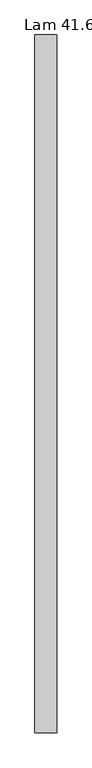
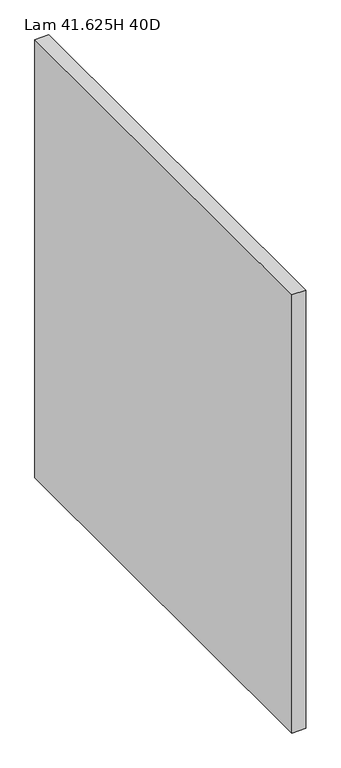
"""IFC4 building model written with IfcOpenShell, lengths in millimetres: furniture geometry, Lam 41.625H 40D."""

from ifc_helpers import new_model, si_unit, origin, origin_with_axes, place, context, project, spatial, polyline, outline, extrude, source, transform, mapped, element, save


def lam_41_625h_40d_4cb68d0c(model_context):
    return source(origin(), model_context, "Body", "SweptSolid", [
        extrude(outline(polyline([(31.75, 0.0), (31.75, -1014.476), (0.0, -1014.476), (0.0, 0.0), (31.75, 0.0)])), origin_with_axes(), (0.0, 0.0, 1.0), 1055.7002),
    ])


if __name__ == "__main__":
    model = new_model("IFC4")
    model_context = context("Model", 3, world=origin())
    ifc_project = project(units=[si_unit("LENGTHUNIT", "METRE", prefix="MILLI")], contexts=[model_context])
    site = spatial("IfcSite", under=ifc_project)
    building = spatial("IfcBuilding", under=site)
    placement = place(None, origin())
    lam_41_625h_40d_shape = lam_41_625h_40d_4cb68d0c(model_context)
    element("IfcFurniture", 1, ObjectType="Lam 41.625H 40D", at=placement, inside=building, context=model_context, shape_type="MappedRepresentation", body=[
        mapped(lam_41_625h_40d_shape, transform((0.0, 0.0, 0.0), x_axis=(1.0, 0.0, 0.0), y_axis=(0.0, 1.0, 0.0), z_axis=(0.0, 0.0, 1.0))),
    ])
    save(model, "model.ifc")
